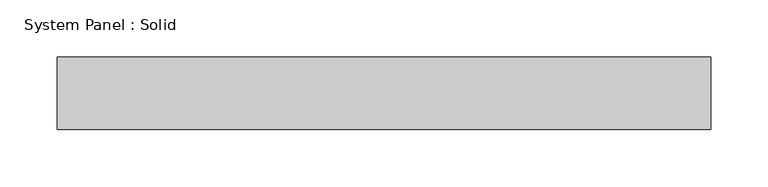
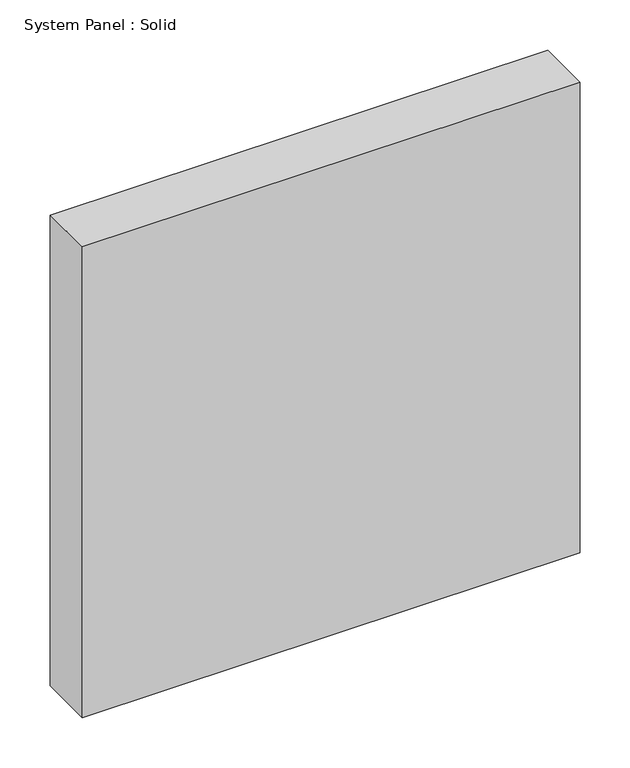
"""IFC4 building model written with IfcOpenShell, lengths in millimetres: plate geometry, System Panel : Solid."""

from ifc_helpers import new_model, si_unit, origin, origin_with_axes, place, context, project, spatial, polyline, outline, extrude, source, transform, mapped, element, save


def system_panel_solid_cd966541(model_context):
    return source(origin(), model_context, "Body", "SweptSolid", [
        extrude(outline(polyline([(285.75, -19.05), (-285.75, -19.05), (-285.75, 44.45), (285.75, 44.45), (285.75, -19.05)])), origin_with_axes(), (0.0, 0.0, 1.0), 571.5),
    ])


if __name__ == "__main__":
    model = new_model("IFC4")
    model_context = context("Model", 3, world=origin())
    ifc_project = project(units=[si_unit("LENGTHUNIT", "METRE", prefix="MILLI")], contexts=[model_context])
    site = spatial("IfcSite", under=ifc_project)
    building = spatial("IfcBuilding", under=site)
    placement = place(None, origin())
    system_panel_solid_shape = system_panel_solid_cd966541(model_context)
    element("IfcPlate", 1, ObjectType="System Panel : Solid", at=placement, inside=building, context=model_context, shape_type="MappedRepresentation", body=[
        mapped(system_panel_solid_shape, transform((0.0, 0.0, 0.0), x_axis=(1.0, 0.0, 0.0), y_axis=(0.0, 1.0, 0.0), z_axis=(0.0, 0.0, 1.0))),
    ])
    save(model, "model.ifc")
